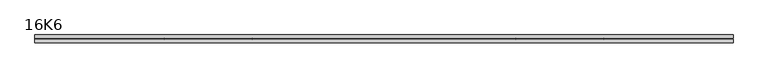
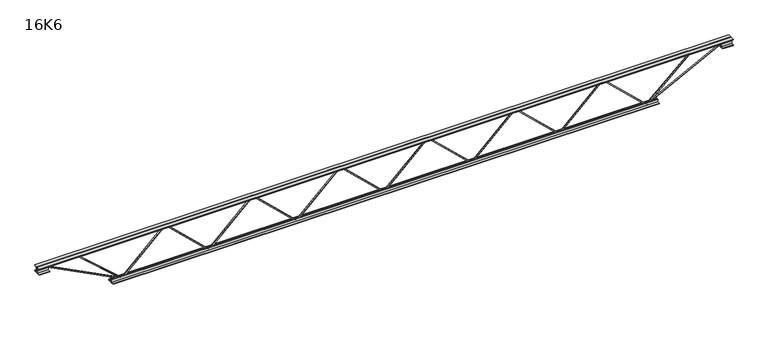
"""IFC4 building model written with IfcOpenShell, lengths in millimetres: beam geometry, 16K6."""

from ifc_helpers import new_model, si_unit, frame, origin, place, context, project, spatial, polyline, outline, extrude, source, transform, mapped, element, save


def beam_16k6_79d67a1c(model_context):
    return source(origin(), model_context, "Body", "SweptSolid", [
        extrude(outline(polyline([(-191.9, 841.2), (-201.4, 841.2), (-201.4, 846.2702294), (191.9, 1260.6702294), (191.9, 1263.2297706), (-201.4, 1677.6297706), (-201.4, 1682.7), (-191.9, 1682.7), (-191.9, 1681.4202294), (201.4, 1267.0202294), (201.4, 1256.8797706), (-191.9, 842.4797706), (-191.9, 841.2)])), frame((0.0, -4.75, 0.0), z_axis=(0.0, 1.0, 0.0), x_axis=(0.0, 0.0, 1.0)), (0.0, 0.0, 1.0), 9.5),
        extrude(outline(polyline([(-191.9, -0.1), (-201.4, -0.1), (-201.4, 4.9702294), (191.9, 419.3702294), (191.9, 421.9297706), (-201.4, 836.3297706), (-201.4, 841.4), (-191.9, 841.4), (-191.9, 840.1202294), (201.4, 425.7202294), (201.4, 415.5797706), (-191.9, 1.1797706), (-191.9, -0.1)])), frame((0.0, -4.75, 0.0), z_axis=(0.0, 1.0, 0.0), x_axis=(0.0, 0.0, 1.0)), (0.0, 0.0, 1.0), 9.5),
        extrude(outline(polyline([(-191.9, -841.4), (-201.4, -841.4), (-201.4, -836.3297706), (191.9, -421.9297706), (191.9, -419.3702294), (-201.4, -4.9702294), (-201.4, 0.1), (-191.9, 0.1), (-191.9, -1.1797706), (201.4, -415.5797706), (201.4, -425.7202294), (-191.9, -840.1202294), (-191.9, -841.4)])), frame((0.0, -4.75, 0.0), z_axis=(0.0, 1.0, 0.0), x_axis=(0.0, 0.0, 1.0)), (0.0, 0.0, 1.0), 9.5),
        extrude(outline(polyline([(-191.9, -1682.7), (-201.4, -1682.7), (-201.4, -1677.6297706), (191.9, -1263.2297706), (191.9, -1260.6702294), (-201.4, -846.2702294), (-201.4, -841.2), (-191.9, -841.2), (-191.9, -842.4797706), (201.4, -1256.8797706), (201.4, -1267.0202294), (-191.9, -1681.4202294), (-191.9, -1682.7)])), frame((0.0, -4.75, 0.0), z_axis=(0.0, 1.0, 0.0), x_axis=(0.0, 0.0, 1.0)), (0.0, 0.0, 1.0), 9.5),
        extrude(outline(polyline([(-191.9, 1682.5), (-201.4, 1682.5), (-201.4, 1687.5702294), (191.9, 2101.9702294), (191.9, 2104.5297706), (-201.4, 2518.9297706), (-201.4, 2524.0), (-191.9, 2524.0), (-191.9, 2522.7202294), (201.4, 2108.3202294), (201.4, 2098.1797706), (-191.9, 1683.7797706), (-191.9, 1682.5)])), frame((0.0, -4.75, 0.0), z_axis=(0.0, 1.0, 0.0), x_axis=(0.0, 0.0, 1.0)), (0.0, 0.0, 1.0), 9.5),
        extrude(outline(polyline([(-191.9, -2524.0), (-201.4, -2524.0), (-201.4, -2518.9297706), (191.9, -2104.5297706), (191.9, -2101.9702294), (-201.4, -1687.5702294), (-201.4, -1682.5), (-191.9, -1682.5), (-191.9, -1683.7797706), (201.4, -2098.1797706), (201.4, -2108.3202294), (-191.9, -2522.7202294), (-191.9, -2524.0)])), frame((0.0, -4.75, 0.0), z_axis=(0.0, 1.0, 0.0), x_axis=(0.0, 0.0, 1.0)), (0.0, 0.0, 1.0), 9.5),
        extrude(outline(polyline([(4.75, 203.0), (36.75, 203.0), (36.75, 196.5), (11.25, 196.5), (11.25, 171.0), (4.75, 171.0), (4.75, 203.0)])), frame((-3336.0, 0.0, 0.0), z_axis=(1.0, 0.0, 0.0), x_axis=(0.0, 1.0, 0.0)), (0.0, 0.0, 1.0), 6672.0),
        extrude(outline(polyline([(-4.75, 203.0), (-4.75, 171.0), (-11.25, 171.0), (-11.25, 196.5), (-36.75, 196.5), (-36.75, 203.0), (-4.75, 203.0)])), frame((-3336.0, 0.0, 0.0), z_axis=(1.0, 0.0, 0.0), x_axis=(0.0, 1.0, 0.0)), (0.0, 0.0, 1.0), 6672.0),
        extrude(outline(polyline([(-4.75, 139.5), (-36.75, 139.5), (-36.75, 146.0), (-11.25, 146.0), (-11.25, 171.0), (-4.75, 171.0), (-4.75, 139.5)])), frame((-3336.0, 0.0, 0.0), z_axis=(1.0, 0.0, 0.0), x_axis=(0.0, 1.0, 0.0)), (0.0, 0.0, 1.0), 100.0),
        extrude(outline(polyline([(36.75, 139.5), (4.75, 139.5), (4.75, 171.0), (11.25, 171.0), (11.25, 146.0), (36.75, 146.0), (36.75, 139.5)])), frame((-3336.0, 0.0, 0.0), z_axis=(1.0, 0.0, 0.0), x_axis=(0.0, 1.0, 0.0)), (0.0, 0.0, 1.0), 100.0),
        extrude(outline(polyline([(4.75, 139.5), (4.75, 171.0), (11.25, 171.0), (11.25, 146.0), (36.75, 146.0), (36.75, 139.5), (4.75, 139.5)])), frame((3236.0, 0.0, 0.0), z_axis=(1.0, 0.0, 0.0), x_axis=(0.0, 1.0, 0.0)), (0.0, 0.0, 1.0), 100.0),
        extrude(outline(polyline([(-4.75, 139.5), (-36.75, 139.5), (-36.75, 146.0), (-11.25, 146.0), (-11.25, 171.0), (-4.75, 171.0), (-4.75, 139.5)])), frame((3236.0, 0.0, 0.0), z_axis=(1.0, 0.0, 0.0), x_axis=(0.0, 1.0, 0.0)), (0.0, 0.0, 1.0), 100.0),
        extrude(outline(polyline([(4.75, -203.0), (4.75, -171.0), (11.25, -171.0), (11.25, -196.5), (36.75, -196.5), (36.75, -203.0), (4.75, -203.0)])), frame((-2624.0, 0.0, 0.0), z_axis=(1.0, 0.0, 0.0), x_axis=(0.0, 1.0, 0.0)), (0.0, 0.0, 1.0), 5248.0),
        extrude(outline(polyline([(-4.75, -203.0), (-36.75, -203.0), (-36.75, -196.5), (-11.25, -196.5), (-11.25, -171.0), (-4.75, -171.0), (-4.75, -203.0)])), frame((-2624.0, 0.0, 0.0), z_axis=(1.0, 0.0, 0.0), x_axis=(0.0, 1.0, 0.0)), (0.0, 0.0, 1.0), 5248.0),
        extrude(outline(polyline([(-200.8705467, -2526.1793315), (-192.4294533, -2521.8206685), (175.75, -3234.8460208), (175.75, -3336.0), (166.25, -3336.0), (166.25, -3237.1539792), (-200.8705467, -2526.1793315)])), frame((0.0, -4.75, 0.0), z_axis=(0.0, 1.0, 0.0), x_axis=(0.0, 0.0, 1.0)), (0.0, 0.0, 1.0), 9.5),
        extrude(outline(polyline([(188.7, -2964.7071429), (179.2, -2964.7071429), (179.2, -2953.8136189), (-200.1995798, -2527.1564194), (-193.1004202, -2520.8435806), (188.7, -2950.2006668), (188.7, -2964.7071429)])), frame((0.0, -4.75, 0.0), z_axis=(0.0, 1.0, 0.0), x_axis=(0.0, 0.0, 1.0)), (0.0, 0.0, 1.0), 9.5),
        extrude(outline(polyline([(0.0, -9.5), (0.0, 0.0), (801.3179909, 0.0), (801.3179909, -9.5), (0.0, -9.5)])), frame((3238.1793315, -4.75, 166.7794533), z_axis=(-0.45880662132449535, 0.0, 0.8885361468329812), x_axis=(-0.8885361468329812, 0.0, -0.45880662132449535)), (0.0, 0.0, 1.0), 9.5),
        extrude(outline(polyline([(0.0, -9.5), (0.0, 0.0), (586.6343737, 0.0), (586.6343737, -9.5), (0.0, -9.5)])), frame((2962.4488502, -4.75, 193.1256491), z_axis=(-0.6704346312213949, 0.0, 0.7419686012622316), x_axis=(-0.7419686012622316, 0.0, -0.6704346312213949)), (0.0, 0.0, 1.0), 9.5),
    ])


if __name__ == "__main__":
    model = new_model("IFC4")
    model_context = context("Model", 3, world=origin())
    ifc_project = project(units=[si_unit("LENGTHUNIT", "METRE", prefix="MILLI")], contexts=[model_context])
    site = spatial("IfcSite", under=ifc_project)
    building = spatial("IfcBuilding", under=site)
    placement = place(None, origin())
    beam_16k6_shape = beam_16k6_79d67a1c(model_context)
    element("IfcBeam", 1, ObjectType="16K6", at=placement, inside=building, context=model_context, shape_type="MappedRepresentation", body=[
        mapped(beam_16k6_shape, transform((0.0, 0.0, 0.0), x_axis=(1.0, 0.0, 0.0), y_axis=(0.0, 1.0, 0.0), z_axis=(0.0, 0.0, 1.0))),
    ])
    save(model, "model.ifc")
